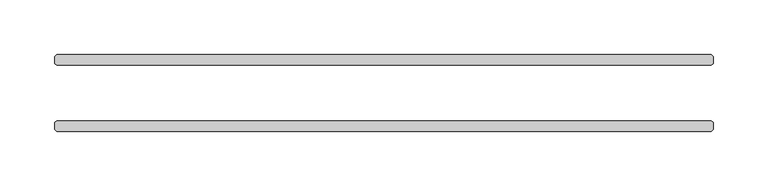
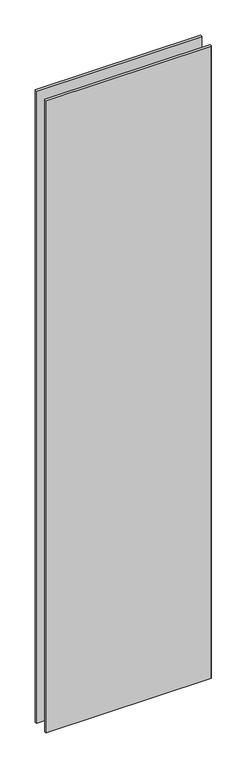
"""IFC4 building model written with IfcOpenShell, lengths in millimetres: plate geometry."""

from ifc_helpers import new_model, si_unit, origin, origin_with_axes, place, context, project, spatial, polyline, outline, extrude, source, transform, mapped, element, save


def plate_dade9b04(model_context):
    return source(origin(), model_context, "Body", "SweptSolid", [
        extrude(outline(polyline([(298.053125, -25.4), (299.640625, -26.9875), (299.640625, -33.3375), (298.053125, -34.925), (-298.053125, -34.925), (-299.640625, -33.3375), (-299.640625, -26.9875), (-298.053125, -25.4), (298.053125, -25.4)])), origin_with_axes(), (0.0, 0.0, 1.0), 2417.7625023),
        extrude(outline(polyline([(298.053125, 34.925), (299.640625, 33.3375), (299.640625, 26.9875), (298.053125, 25.4), (-298.053125, 25.4), (-299.640625, 26.9875), (-299.640625, 33.3375), (-298.053125, 34.925), (298.053125, 34.925)])), origin_with_axes(), (0.0, 0.0, 1.0), 2417.7625023),
    ])


if __name__ == "__main__":
    model = new_model("IFC4")
    model_context = context("Model", 3, world=origin())
    ifc_project = project(units=[si_unit("LENGTHUNIT", "METRE", prefix="MILLI")], contexts=[model_context])
    site = spatial("IfcSite", under=ifc_project)
    building = spatial("IfcBuilding", under=site)
    placement = place(None, origin())
    plate_shape = plate_dade9b04(model_context)
    element("IfcPlate", 1, at=placement, inside=building, context=model_context, shape_type="MappedRepresentation", body=[
        mapped(plate_shape, transform((0.0, 0.0, 0.0), x_axis=(1.0, 0.0, 0.0), y_axis=(0.0, 1.0, 0.0), z_axis=(0.0, 0.0, 1.0))),
    ])
    save(model, "model.ifc")
